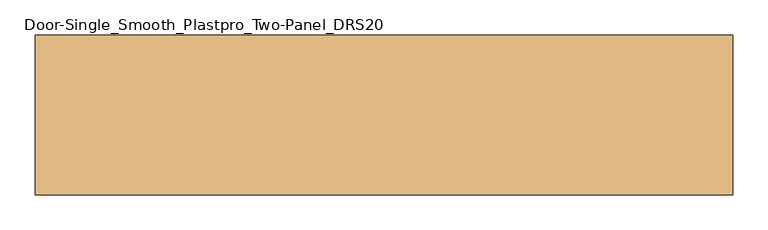
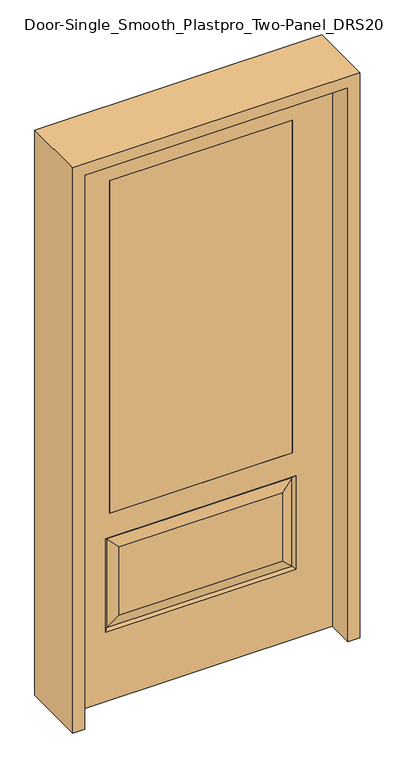
"""IFC4 building model written with IfcOpenShell, lengths in millimetres: door geometry, Door-Single_Smooth_Plastpro_Two-Panel_DRS20."""

from ifc_helpers import new_model, si_unit, frame, origin, place, context, project, spatial, polyline, outline, extrude, faceted_brep, source, transform, mapped, element, save


def door_single_smooth_plastpro_two_panel_drs20_829b500a(model_context):
    return source(origin(), model_context, "Body", "SolidModel", [
        extrude(outline(polyline([(317.5, -20.6375), (-317.5, -20.6375), (-317.5, 20.6375), (317.5, 20.6375), (317.5, -20.6375)])), frame((0.0, 0.0, 685.8), z_axis=(0.0, 0.0, 1.0), x_axis=(1.0, 0.0, 0.0)), (0.0, 0.0, 1.0), 1219.2),
        faceted_brep([(-317.5, 20.6375, 685.8), (-317.5, -20.6375, 685.8), (317.5, -20.6375, 685.8), (317.5, 20.6375, 685.8), (-321.2197439, 11.6572439, 587.9197439), (-284.1625, 20.6375, 550.8625), (-284.1625, 20.6375, 300.0375), (-321.2197439, 11.6572439, 262.9802561), (-321.2197439, -11.6572439, 262.9802561), (321.2197439, -11.6572439, 262.9802561), (284.1625, -20.6375, 300.0375), (-284.1625, -20.6375, 300.0375), (-321.2197439, -11.6572439, 587.9197439), (-284.1625, -20.6375, 550.8625), (284.1625, -20.6375, 550.8625), (321.2197439, -11.6572439, 587.9197439), (-330.2, -20.6375, 254.0), (330.2, -20.6375, 254.0), (317.5, -20.6375, 1905.0), (317.5, 20.6375, 1905.0), (284.1625, 20.6375, 300.0375), (321.2197439, 11.6572439, 262.9802561), (284.1625, 20.6375, 550.8625), (321.2197439, 11.6572439, 587.9197439), (457.2, 20.6375, 0.0), (457.2, -20.6375, 0.0), (-457.2, -20.6375, 0.0), (-457.2, 20.6375, 0.0), (457.2, 20.6375, 2032.0), (457.2, -20.6375, 2032.0), (-457.2, -20.6375, 2032.0), (-317.5, -20.6375, 1905.0), (-330.2, -20.6375, 596.9), (330.2, -20.6375, 596.9), (-457.2, 20.6375, 2032.0), (-317.5, 20.6375, 1905.0), (330.2, 20.6375, 596.9), (-330.2, 20.6375, 596.9), (-330.2, 20.6375, 254.0), (330.2, 20.6375, 254.0)], [[[0, 1, 2, 3]], [[4, 5, 6, 7]], [[8, 9, 10, 11]], [[12, 13, 14, 15]], [[9, 8, 16, 17]], [[18, 19, 3, 2]], [[7, 6, 20, 21]], [[22, 23, 21, 20]], [[24, 25, 26, 27]], [[28, 29, 25, 24]], [[11, 10, 14, 13]], [[29, 30, 26, 25], [31, 18, 2, 1], [17, 16, 32, 33]], [[30, 34, 27, 26]], [[5, 22, 20, 6]], [[34, 28, 24, 27], [19, 35, 0, 3], [36, 37, 38, 39]], [[23, 4, 37, 36]], [[37, 4, 7, 38]], [[38, 7, 21, 39]], [[23, 36, 39, 21]], [[4, 23, 22, 5]], [[35, 31, 1, 0]], [[16, 8, 12, 32]], [[32, 12, 15, 33]], [[9, 17, 33, 15]], [[10, 9, 15, 14]], [[8, 11, 13, 12]], [[28, 34, 30, 29]], [[31, 35, 19, 18]]]),
        extrude(outline(polyline([(2073.275, -498.475), (0.0, -498.475), (0.0, -457.2), (2032.0, -457.2), (2032.0, 457.2), (0.0, 457.2), (0.0, 498.475), (2073.275, 498.475), (2073.275, -498.475)])), frame((0.0, -114.3, 0.0), z_axis=(0.0, 1.0, 0.0), x_axis=(0.0, 0.0, 1.0)), (0.0, 0.0, 1.0), 228.6),
    ])


if __name__ == "__main__":
    model = new_model("IFC4")
    model_context = context("Model", 3, world=origin())
    ifc_project = project(units=[si_unit("LENGTHUNIT", "METRE", prefix="MILLI")], contexts=[model_context])
    site = spatial("IfcSite", under=ifc_project)
    building = spatial("IfcBuilding", under=site)
    placement = place(None, origin())
    door_single_smooth_plastpro_two_panel_drs20_shape = door_single_smooth_plastpro_two_panel_drs20_829b500a(model_context)
    element("IfcDoor", 1, ObjectType="Door-Single_Smooth_Plastpro_Two-Panel_DRS20", at=placement, inside=building, context=model_context, shape_type="MappedRepresentation", body=[
        mapped(door_single_smooth_plastpro_two_panel_drs20_shape, transform((0.0, 0.0, 0.0), x_axis=(1.0, 0.0, 0.0), y_axis=(0.0, 1.0, 0.0), z_axis=(0.0, 0.0, 1.0))),
    ])
    save(model, "model.ifc")
